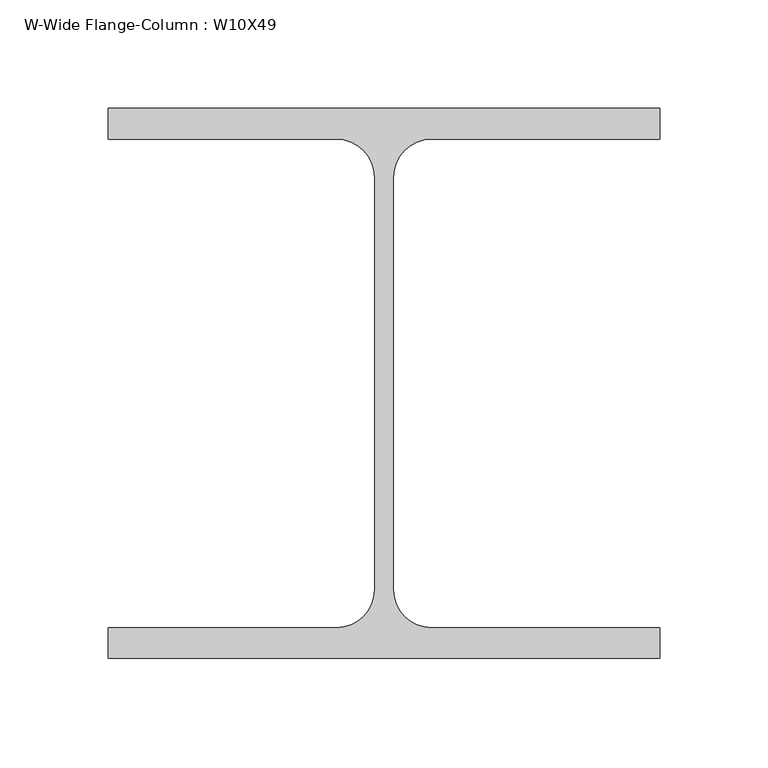
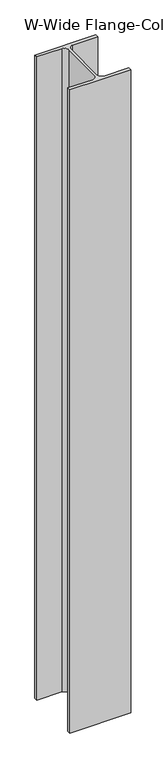
"""IFC4 building model written with IfcOpenShell, lengths in millimetres: column geometry, W-Wide Flange-Column : W10X49."""

from ifc_helpers import new_model, si_unit, point, frame, frame_2d, origin, place, context, project, spatial, polyline, circle_curve, trimmed, segment, composite_curve, outline, extrude, source, transform, mapped, element, save


def w_wide_flange_column_w10x49_5ff849a6(model_context):
    return source(origin(), model_context, "Body", "SweptSolid", [
        extrude(outline(composite_curve([segment(polyline([(127.0, 126.7519531), (127.0, 112.5636719), (21.8777344, 112.5636719)]), True, "CONTINUOUS"), segment(trimmed(circle_curve(frame_2d((21.8777344, 95.0019531)), 17.5617188), [point((21.8777344, 112.5636719))], [point((4.3160156, 95.0019531))], True, "CARTESIAN"), True, "CONTINUOUS"), segment(polyline([(4.3160156, 95.0019531), (4.3160156, -95.0019531)]), True, "CONTINUOUS"), segment(trimmed(circle_curve(frame_2d((21.8777344, -95.0019531)), 17.5617187), [point((4.3160156, -95.0019531))], [point((21.8777344, -112.5636719))], True, "CARTESIAN"), True, "CONTINUOUS"), segment(polyline([(21.8777344, -112.5636719), (127.0, -112.5636719), (127.0, -126.7519531), (-127.0, -126.7519531), (-127.0, -112.5636719), (-21.8777344, -112.5636719)]), True, "CONTINUOUS"), segment(trimmed(circle_curve(frame_2d((-21.8777344, -95.0019531)), 17.5617187), [point((-21.8777344, -112.5636719))], [point((-4.3160156, -95.0019531))], True, "CARTESIAN"), True, "CONTINUOUS"), segment(polyline([(-4.3160156, -95.0019531), (-4.3160156, 95.0019531)]), True, "CONTINUOUS"), segment(trimmed(circle_curve(frame_2d((-21.8777344, 95.0019531)), 17.5617188), [point((-4.3160156, 95.0019531))], [point((-21.8777344, 112.5636719))], True, "CARTESIAN"), True, "CONTINUOUS"), segment(polyline([(-21.8777344, 112.5636719), (-127.0, 112.5636719), (-127.0, 126.7519531), (127.0, 126.7519531)]), True, "CONTINUOUS")], self_intersect=False)), frame((0.0, 0.0, 14160.5), z_axis=(0.0, 0.0, 1.0), x_axis=(1.0, 0.0, 0.0)), (0.0, 0.0, 1.0), 2844.8),
    ])


if __name__ == "__main__":
    model = new_model("IFC4")
    model_context = context("Model", 3, world=origin())
    ifc_project = project(units=[si_unit("LENGTHUNIT", "METRE", prefix="MILLI")], contexts=[model_context])
    site = spatial("IfcSite", under=ifc_project)
    building = spatial("IfcBuilding", under=site)
    placement = place(None, origin())
    w_wide_flange_column_w10x49_shape = w_wide_flange_column_w10x49_5ff849a6(model_context)
    element("IfcColumn", 1, ObjectType="W-Wide Flange-Column : W10X49", at=placement, inside=building, context=model_context, shape_type="MappedRepresentation", body=[
        mapped(w_wide_flange_column_w10x49_shape, transform((0.0, 0.0, 0.0), x_axis=(1.0, 0.0, 0.0), y_axis=(0.0, 1.0, 0.0), z_axis=(0.0, 0.0, 1.0))),
    ])
    save(model, "model.ifc")
